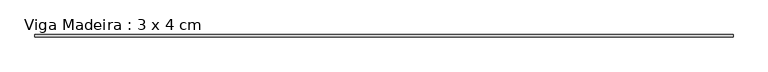
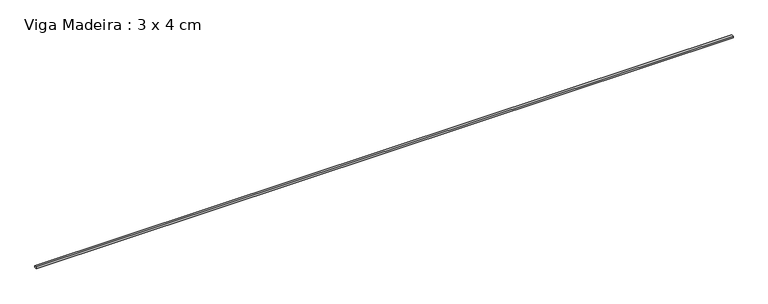
"""IFC4 building model written with IfcOpenShell, lengths in millimetres: beam geometry, Viga Madeira : 3 x 4 cm."""

import ifcopenshell
import ifcopenshell.guid

model = None  # the IFC model being written
_history = None  # IfcOwnerHistory: only IFC2X3 demands one
_inside = {}  # id of a spatial element -> (the spatial element, [elements in it])
_under = {}  # id of a project, library or spatial element -> (it, [spatial elements below it])
_declared = {}  # id of a project -> (the project, [libraries it declares])
_typed = {}  # id of a type object -> (the type object, [elements of that type])
_made_of = {}  # id of a material, layer set ... -> (it, [elements and type objects made of it])


def new_model(schema):
    """Start an empty IFC model of exactly this schema.

    Asked for "IFC4X3", IfcOpenShell would pick the latest addendum, in which some entities
    have other attributes; the version numbers below select the first issue.
    IFC2X3 requires an IfcOwnerHistory on every rooted entity: one is made here for all.
    """
    global model, _history
    if schema == "IFC4X3":
        model = ifcopenshell.file(schema_version=(4, 3, 0, 0))
    else:
        model = ifcopenshell.file(schema=schema)
    _inside.clear()
    _under.clear()
    _declared.clear()
    _typed.clear()
    _made_of.clear()
    _history = None
    if model.schema == "IFC2X3":
        org = make("IfcOrganization", Name="unknown")
        user = make(
            "IfcPersonAndOrganization",
            ThePerson=make("IfcPerson", FamilyName="unknown"),
            TheOrganization=org,
        )
        app = make(
            "IfcApplication",
            ApplicationDeveloper=org,
            Version="unknown",
            ApplicationFullName="unknown",
            ApplicationIdentifier="unknown",
        )
        _history = make(
            "IfcOwnerHistory",
            OwningUser=user,
            OwningApplication=app,
            ChangeAction="ADDED",
            CreationDate=0,
        )
    return model


def make(cls, **values):
    """One entity of the class cls with the attributes given. An attribute that is None is left unset."""
    return model.create_entity(
        cls, **{name: value for name, value in values.items() if value is not None}
    )


def rooted(cls, **values):
    """An entity with a GlobalId (a new one), such as an element, a storey or a relation."""
    return make(cls, GlobalId=ifcopenshell.guid.new(), OwnerHistory=_history, **values)


def si_unit(unit_type, name, prefix=None):
    """IfcSIUnit, for example si_unit("LENGTHUNIT", "METRE", prefix="MILLI")."""
    return make("IfcSIUnit", UnitType=unit_type, Prefix=prefix, Name=name)


def assignment(units):
    """IfcUnitAssignment: the units of a project."""
    return None if units is None else make("IfcUnitAssignment", Units=units)


def point(xyz):
    """IfcCartesianPoint."""
    return None if xyz is None else make("IfcCartesianPoint", Coordinates=xyz)


def direction(xyz):
    """IfcDirection."""
    return None if xyz is None else make("IfcDirection", DirectionRatios=xyz)


def frame(location, z_axis=None, x_axis=None):
    """IfcAxis2Placement3D, a coordinate frame: its origin and axes. An axis left out is left unset."""
    return make(
        "IfcAxis2Placement3D",
        Location=point(location),
        Axis=direction(z_axis),
        RefDirection=direction(x_axis),
    )


def origin():
    """The frame at (0, 0, 0) with its axes left unset."""
    return frame((0.0, 0.0, 0.0))


def place(relative_to, where):
    """IfcLocalPlacement: puts the frame where relative to a parent placement (None: the world)."""
    return make(
        "IfcLocalPlacement", PlacementRelTo=relative_to, RelativePlacement=where
    )


def context(
    kind, dimensions, precision=None, world=None, true_north=None, identifier=None
):
    """IfcGeometricRepresentationContext, for example the 3D "Model" context."""
    return make(
        "IfcGeometricRepresentationContext",
        ContextIdentifier=identifier,
        ContextType=kind,
        CoordinateSpaceDimension=dimensions,
        Precision=precision,
        WorldCoordinateSystem=world,
        TrueNorth=true_north,
    )


def project(units=None, contexts=None):
    """IfcProject with its units and contexts."""
    return rooted(
        "IfcProject",
        Name="project",
        RepresentationContexts=contexts,
        UnitsInContext=assignment(units),
    )


def spatial(cls, under=None, at=None, **own):
    """A site, building, storey or space (cls), placed at a placement, below another one or the project."""
    s = rooted(cls, ObjectPlacement=at, **own)
    if under is not None:
        _under.setdefault(under.id(), (under, []))[1].append(s)
    return s


def polyline(points):
    """IfcPolyline through the points."""
    return make("IfcPolyline", Points=[point(p) for p in points])


def outline(outer, holes=None, kind="AREA"):
    """IfcArbitraryClosedProfileDef: a profile drawn as a closed curve; with holes, ...WithVoids."""
    if holes is None:
        return make("IfcArbitraryClosedProfileDef", ProfileType=kind, OuterCurve=outer)
    return make(
        "IfcArbitraryProfileDefWithVoids",
        ProfileType=kind,
        OuterCurve=outer,
        InnerCurves=holes,
    )


def extrude(swept, where, along, depth):
    """IfcExtrudedAreaSolid: the profile swept, set in the frame where, extruded along a direction by depth."""
    return make(
        "IfcExtrudedAreaSolid",
        SweptArea=swept,
        Position=where,
        ExtrudedDirection=direction(along),
        Depth=depth,
    )


def shape(context_of_items, identifier, shape_type, items):
    """IfcShapeRepresentation: the items that make up one representation, for example the "Body"."""
    return make(
        "IfcShapeRepresentation",
        ContextOfItems=context_of_items,
        RepresentationIdentifier=identifier,
        RepresentationType=shape_type,
        Items=items,
    )


def source(mapping_origin, context_of_items, identifier, shape_type, items):
    """IfcRepresentationMap: a shape defined once, which mapped items show again and again."""
    return make(
        "IfcRepresentationMap",
        MappingOrigin=mapping_origin,
        MappedRepresentation=shape(context_of_items, identifier, shape_type, items),
    )


def transform(
    local_origin,
    x_axis=None,
    y_axis=None,
    z_axis=None,
    scale=None,
    scale2=None,
    scale3=None,
    uniform=True,
):
    """IfcCartesianTransformationOperator3D, or its non-uniform kind. x_axis, y_axis, z_axis: its Axis1, 2, 3."""
    if uniform:
        return make(
            "IfcCartesianTransformationOperator3D",
            Axis1=direction(x_axis),
            Axis2=direction(y_axis),
            LocalOrigin=point(local_origin),
            Scale=scale,
            Axis3=direction(z_axis),
        )
    return make(
        "IfcCartesianTransformationOperator3DnonUniform",
        Axis1=direction(x_axis),
        Axis2=direction(y_axis),
        LocalOrigin=point(local_origin),
        Scale=scale,
        Axis3=direction(z_axis),
        Scale2=scale2,
        Scale3=scale3,
    )


def mapped(mapping_source, mapping_target):
    """IfcMappedItem: shows the shape of a source again, moved by a transform."""
    return make(
        "IfcMappedItem", MappingSource=mapping_source, MappingTarget=mapping_target
    )


def made_of(thing, what):
    """Note that an element or type object is made of a material, layer set ...; save() writes the relation."""
    if what is not None:
        _made_of.setdefault(what.id(), (what, []))[1].append(thing)
    return thing


def element(
    cls,
    number,
    at=None,
    inside=None,
    cuts=None,
    type_object=None,
    material=None,
    context=None,
    identifier="Body",
    shape_type=None,
    held_by="IfcProductDefinitionShape",
    body=None,
    shapes=None,
    **own,
):
    """One element of the class cls, such as IfcWall. Its Tag is "e" and its number.

    at: its placement. inside: the storey or other place that contains it. cuts: it is an
    opening in that element (IfcRelVoidsElement). A single representation is given by context,
    identifier, shape_type and body (its items); several are given by shapes. held_by: the class
    of the entity that holds the representations. save() writes the other relations.
    """
    e = rooted(cls, Tag="e%d" % number, ObjectPlacement=at, **own)
    if body is not None:
        shapes = [shape(context, identifier, shape_type, body)]
    if shapes is not None:
        e.Representation = make(held_by, Representations=shapes)
    if inside is not None:
        _inside.setdefault(inside.id(), (inside, []))[1].append(e)
    if cuts is not None:
        rooted(
            "IfcRelVoidsElement", RelatingBuildingElement=cuts, RelatedOpeningElement=e
        )
    if type_object is not None:
        _typed.setdefault(type_object.id(), (type_object, []))[1].append(e)
    return made_of(e, material)


def aggregate(whole, parts):
    """IfcRelAggregates: a whole, such as a stair, and the parts it consists of."""
    return rooted("IfcRelAggregates", RelatingObject=whole, RelatedObjects=parts)


def save(model, path):
    """Write the relations noted so far, then the file.

    IfcRelAggregates (storeys below a building ...), IfcRelContainedInSpatialStructure (elements
    in a storey), IfcRelDefinesByType, IfcRelAssociatesMaterial and IfcRelDeclares: one each for
    every whole, place, type object, material and project.
    """
    for whole, parts in _under.values():
        aggregate(whole, parts)
    for where, things in _inside.values():
        rooted(
            "IfcRelContainedInSpatialStructure",
            RelatedElements=things,
            RelatingStructure=where,
        )
    for kind, things in _typed.values():
        rooted("IfcRelDefinesByType", RelatedObjects=things, RelatingType=kind)
    for what, things in _made_of.values():
        rooted("IfcRelAssociatesMaterial", RelatedObjects=things, RelatingMaterial=what)
    for by, libraries in _declared.values():
        rooted("IfcRelDeclares", RelatingContext=by, RelatedDefinitions=libraries)
    model.write(path)


def viga_madeira_3_x_4_cm_1823c434(model_context):
    return source(origin(), model_context, "Body", "SweptSolid", [
        extrude(outline(polyline([(6051.5228166, 20.0), (6051.5228166, -20.0), (-6051.5228166, -20.0), (-6051.5228166, 20.0), (6051.5228166, 20.0)])), frame((0.0, 0.0, -15.0), z_axis=(0.0, 0.0, 1.0), x_axis=(1.0, 0.0, 0.0)), (0.0, 0.0, 1.0), 30.0),
    ])


if __name__ == "__main__":
    model = new_model("IFC4")
    model_context = context("Model", 3, world=origin())
    ifc_project = project(units=[si_unit("LENGTHUNIT", "METRE", prefix="MILLI")], contexts=[model_context])
    site = spatial("IfcSite", under=ifc_project)
    building = spatial("IfcBuilding", under=site)
    placement = place(None, origin())
    viga_madeira_3_x_4_cm_shape = viga_madeira_3_x_4_cm_1823c434(model_context)
    element("IfcBeam", 1, ObjectType="Viga Madeira : 3 x 4 cm", at=placement, inside=building, context=model_context, shape_type="MappedRepresentation", body=[
        mapped(viga_madeira_3_x_4_cm_shape, transform((0.0, 0.0, 0.0), x_axis=(1.0, 0.0, 0.0), y_axis=(0.0, 1.0, 0.0), z_axis=(0.0, 0.0, 1.0))),
    ])
    save(model, "model.ifc")
